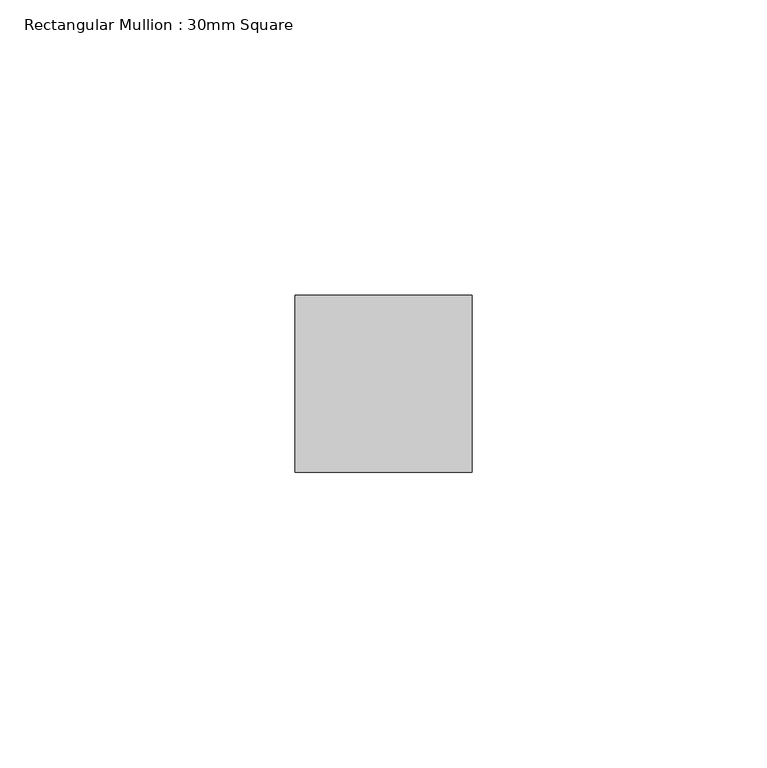
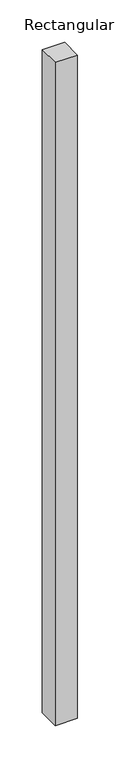
"""IFC4 building model written with IfcOpenShell, lengths in millimetres: member geometry, Rectangular Mullion : 30mm Square."""

from ifc_helpers import new_model, si_unit, frame, origin, place, context, project, spatial, polyline, outline, extrude, source, transform, mapped, element, save


def rectangular_mullion_30mm_square_51b04aec(model_context):
    return source(origin(), model_context, "Body", "SweptSolid", [
        extrude(outline(polyline([(0.0, 15.0), (0.0, -15.0), (-30.0, -15.0), (-30.0, 15.0), (0.0, 15.0)])), frame((0.0, 0.0, -953.5066633), z_axis=(0.0, 0.0, 1.0), x_axis=(1.0, 0.0, 0.0)), (0.0, 0.0, 1.0), 953.5066633),
    ])


if __name__ == "__main__":
    model = new_model("IFC4")
    model_context = context("Model", 3, world=origin())
    ifc_project = project(units=[si_unit("LENGTHUNIT", "METRE", prefix="MILLI")], contexts=[model_context])
    site = spatial("IfcSite", under=ifc_project)
    building = spatial("IfcBuilding", under=site)
    placement = place(None, origin())
    rectangular_mullion_30mm_square_shape = rectangular_mullion_30mm_square_51b04aec(model_context)
    element("IfcMember", 1, ObjectType="Rectangular Mullion : 30mm Square", at=placement, inside=building, context=model_context, shape_type="MappedRepresentation", body=[
        mapped(rectangular_mullion_30mm_square_shape, transform((0.0, 0.0, 0.0), x_axis=(1.0, 0.0, 0.0), y_axis=(0.0, 1.0, 0.0), z_axis=(0.0, 0.0, 1.0))),
    ])
    save(model, "model.ifc")
